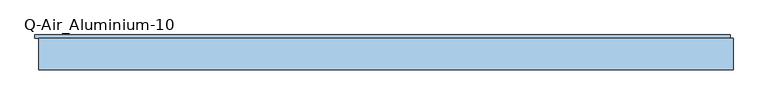
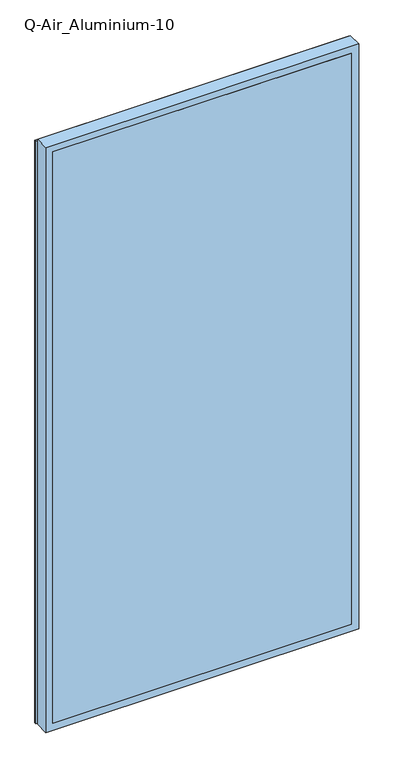
"""IFC4 building model written with IfcOpenShell, lengths in millimetres: window geometry, Q-Air_Aluminium-10."""

from ifc_helpers import new_model, si_unit, frame, origin, place, context, project, spatial, polyline, outline, extrude, source, transform, mapped, element, save


def q_air_aluminium_10_1c733b5f(model_context):
    return source(origin(), model_context, "Body", "SweptSolid", [
        extrude(outline(polyline([(5020.0, 1270.0), (5020.0, -1270.0), (0.0, -1270.0), (0.0, 1270.0), (5020.0, 1270.0)]), holes=[polyline([(4962.0, 1212.0), (58.0, 1212.0), (58.0, -1212.0), (4962.0, -1212.0), (4962.0, 1212.0)])]), frame((0.0, 0.0, 0.0), z_axis=(0.0, 1.0, 0.0), x_axis=(0.0, 0.0, 1.0)), (0.0, 0.0, 1.0), 114.5),
        extrude(outline(polyline([(1212.0, 0.0), (-1212.0, 0.0), (-1212.0, 12.5), (1212.0, 12.5), (1212.0, 0.0)])), frame((0.0, 0.0, 58.0), z_axis=(0.0, 0.0, 1.0), x_axis=(1.0, 0.0, 0.0)), (0.0, 0.0, 1.0), 4904.0),
        extrude(outline(polyline([(1260.0, 114.5), (-1284.1, 114.5), (-1284.1, 127.0), (1260.0, 127.0), (1260.0, 114.5)])), frame((0.0, 0.0, 10.0), z_axis=(0.0, 0.0, 1.0), x_axis=(1.0, 0.0, 0.0)), (0.0, 0.0, 1.0), 5000.0),
        extrude(outline(polyline([(5010.0, 1260.0), (5010.0, -1284.1), (10.0, -1284.1), (10.0, 1260.0), (5010.0, 1260.0)]), holes=[polyline([(4962.0, 1212.0), (58.0, 1212.0), (58.0, -1212.0), (4962.0, -1212.0), (4962.0, 1212.0)])]), frame((0.0, 114.5, 0.0), z_axis=(0.0, 1.0, 0.0), x_axis=(0.0, 0.0, 1.0)), (0.0, 0.0, 1.0), 4.0),
    ])


if __name__ == "__main__":
    model = new_model("IFC4")
    model_context = context("Model", 3, world=origin())
    ifc_project = project(units=[si_unit("LENGTHUNIT", "METRE", prefix="MILLI")], contexts=[model_context])
    site = spatial("IfcSite", under=ifc_project)
    building = spatial("IfcBuilding", under=site)
    placement = place(None, origin())
    q_air_aluminium_10_shape = q_air_aluminium_10_1c733b5f(model_context)
    element("IfcWindow", 1, ObjectType="Q-Air_Aluminium-10", at=placement, inside=building, context=model_context, shape_type="MappedRepresentation", body=[
        mapped(q_air_aluminium_10_shape, transform((0.0, 0.0, 0.0), x_axis=(1.0, 0.0, 0.0), y_axis=(0.0, 1.0, 0.0), z_axis=(0.0, 0.0, 1.0))),
    ])
    save(model, "model.ifc")
